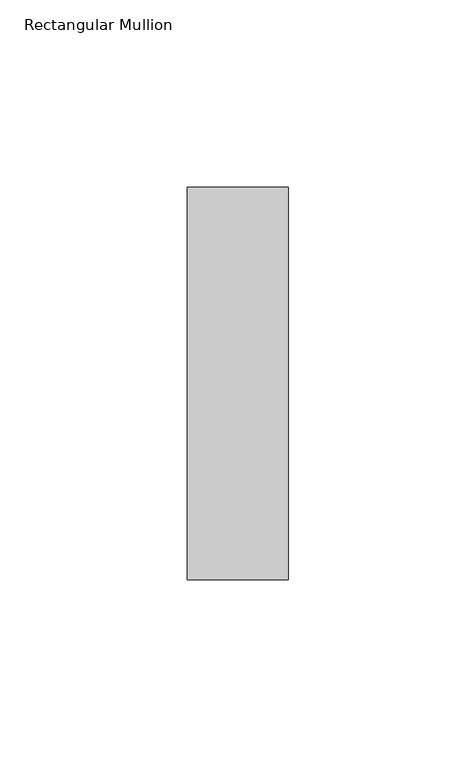
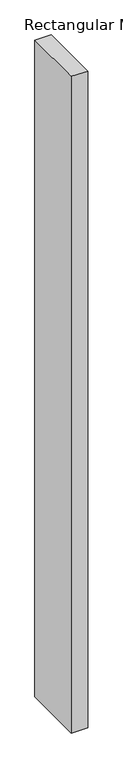
"""IFC4 building model written with IfcOpenShell, lengths in millimetres: member geometry, Rectangular Mullion."""

from ifc_helpers import new_model, si_unit, frame, origin, place, context, project, spatial, polyline, outline, extrude, source, transform, mapped, element, save


def rectangular_mullion_8c52f19f(model_context):
    return source(origin(), model_context, "Body", "SweptSolid", [
        extrude(outline(polyline([(-27.0, 52.3975), (0.0, 52.3975), (0.0, -52.3975), (-27.0, -52.3975), (-27.0, 52.3975)])), frame((0.0, 0.0, -1153.0), z_axis=(0.0, 0.0, 1.0), x_axis=(1.0, 0.0, 0.0)), (0.0, 0.0, 1.0), 1153.0),
    ])


if __name__ == "__main__":
    model = new_model("IFC4")
    model_context = context("Model", 3, world=origin())
    ifc_project = project(units=[si_unit("LENGTHUNIT", "METRE", prefix="MILLI")], contexts=[model_context])
    site = spatial("IfcSite", under=ifc_project)
    building = spatial("IfcBuilding", under=site)
    placement = place(None, origin())
    rectangular_mullion_shape = rectangular_mullion_8c52f19f(model_context)
    element("IfcMember", 1, ObjectType="Rectangular Mullion", at=placement, inside=building, context=model_context, shape_type="MappedRepresentation", body=[
        mapped(rectangular_mullion_shape, transform((0.0, 0.0, 0.0), x_axis=(1.0, 0.0, 0.0), y_axis=(0.0, 1.0, 0.0), z_axis=(0.0, 0.0, 1.0))),
    ])
    save(model, "model.ifc")
